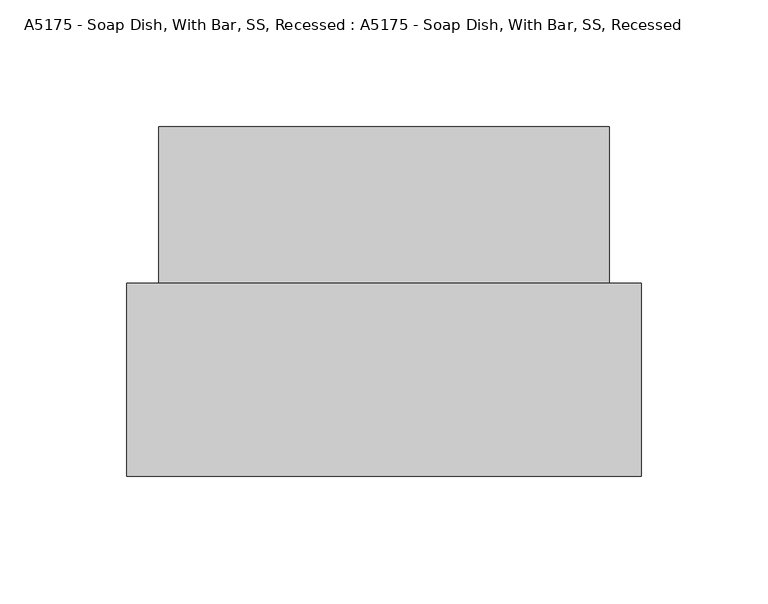
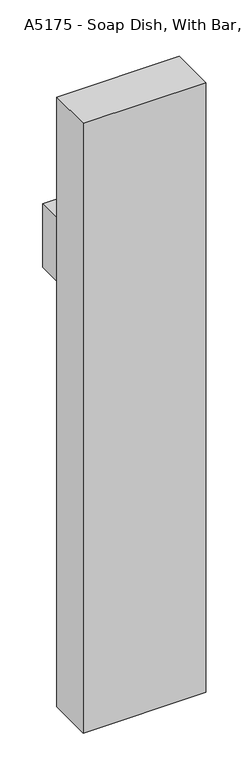
"""IFC4 building model written with IfcOpenShell, lengths in millimetres: proxy geometry, A5175 - Soap Dish, With Bar, SS, Recessed : A5175 - Soap Dish, With Bar, SS, Recessed."""

from ifc_helpers import new_model, si_unit, frame, origin, place, context, project, spatial, circle_curve, ellipse_curve, faceted_brep, source, transform, mapped, element, save
from ifc_brep_helpers import plane_surface, cylinder_surface, advanced_brep


def a5175_soap_dish_with_bar_ss_recessed_a5175_soap_dish_with_8857ea05(model_context):
    return source(origin(), model_context, "Body", "SolidModel", [
        advanced_brep(
        [(-73.0659295, -74.6125, 762.0315243), (-79.4157151, -74.6125, 762.0315243), (-79.4157151, -90.4873928, 762.0315243), (-73.0659295, -84.1376072, 762.0315243), (79.3340705, -90.4873928, 762.0315243), (72.9842849, -84.1376072, 762.0315243), (72.9842849, -74.6125, 762.0315243), (79.3340705, -74.6125, 762.0315243)],
        [
            (0, 1, circle_curve(frame((-76.2408223, -74.6125, 762.0315243), z_axis=(0.0, 1.0, 0.0), x_axis=(-1.0, 0.0, 0.0)), 3.1748928)),
            (1, 0, circle_curve(frame((-76.2408223, -74.6125, 762.0315243), z_axis=(0.0, 1.0, 0.0), x_axis=(-1.0, 0.0, 0.0)), 3.1748928)),
            (1, 2),
            (2, 3, ellipse_curve(frame((-76.2408223, -87.3125, 762.0315243), z_axis=(-0.7071067811865475, 0.7071067811865475, 0.0), x_axis=(0.7071067811865474, 0.7071067811865476, 0.0)), 4.4899765, 3.1748928)),
            (3, 0),
            (3, 2, ellipse_curve(frame((-76.2408223, -87.3125, 762.0315243), z_axis=(-0.7071067811865475, 0.7071067811865475, 0.0), x_axis=(0.7071067811865474, 0.7071067811865476, 0.0)), 4.4899765, 3.1748928)),
            (2, 4),
            (4, 5, ellipse_curve(frame((76.1591777, -87.3125, 762.0315243), z_axis=(-0.7071067811865475, -0.7071067811865475, 0.0), x_axis=(-0.7071067811865476, 0.7071067811865474, 0.0)), 4.4899765, 3.1748928)),
            (5, 3),
            (5, 4, ellipse_curve(frame((76.1591777, -87.3125, 762.0315243), z_axis=(-0.7071067811865475, -0.7071067811865475, 0.0), x_axis=(-0.7071067811865476, 0.7071067811865474, 0.0)), 4.4899765, 3.1748928)),
            (6, 7, circle_curve(frame((76.1591777, -74.6125, 762.0315243), z_axis=(0.0, 1.0, 0.0), x_axis=(1.0, 0.0, 0.0)), 3.1748928)),
            (7, 6, circle_curve(frame((76.1591777, -74.6125, 762.0315243), z_axis=(0.0, 1.0, 0.0), x_axis=(1.0, 0.0, 0.0)), 3.1748928)),
            (4, 7),
            (6, 5),
        ],
        [
            plane_surface(frame((-76.2408223, -74.6125, 762.0315243), z_axis=(0.0, 1.0, 0.0), x_axis=(0.0, 0.0, 1.0))),
            cylinder_surface(frame((-76.2408223, -74.6125, 762.0315243), z_axis=(0.0, 1.0, 0.0), x_axis=(-1.0, 0.0, 0.0)), 3.1748928),
            cylinder_surface(frame((-76.2408223, -87.3125, 762.0315243), z_axis=(-1.0, 0.0, 0.0), x_axis=(0.0, -1.0, 0.0)), 3.1748928),
            plane_surface(frame((76.1591777, -74.6125, 762.0315243), z_axis=(0.0, 1.0, 0.0), x_axis=(0.0, 0.0, 1.0))),
            cylinder_surface(frame((76.1591777, -87.3125, 762.0315243), z_axis=(0.0, -1.0, 0.0), x_axis=(1.0, 0.0, 0.0)), 3.1748928),
        ],
        [
            (0, [[1, 2]]),
            (1, [[3, 4, 5, -2]]),
            (1, [[-5, 6, -3, -1]]),
            (2, [[7, 8, 9, -4]]),
            (2, [[-9, 10, -7, -6]]),
            (3, [[11, 12]]),
            (4, [[13, -11, 14, -8]]),
            (4, [[-14, -12, -13, -10]]),
        ],
    ),
        faceted_brep([(-88.9, -88.9, 726.6299448), (88.9, -88.9, 726.6299448), (88.9, -88.9, 838.2), (-88.9, -88.9, 838.2), (-69.85, -88.9, 817.5393161), (69.85, -88.9, 817.5393161), (69.85, -88.9, 741.3393161), (-69.85, -88.9, 741.3393161), (-88.9, 0.0, 726.6299448), (-88.9, 0.0, 838.2), (88.9, 0.0, 838.2), (88.9, 0.0, 726.6299448), (-69.85, -13.796456, 741.3393161), (69.85, -13.796456, 741.3393161), (69.85, -13.796456, 817.5393161), (-69.85, -13.796456, 817.5393161)], [[[0, 1, 2, 3], [4, 5, 6, 7]], [[8, 9, 10, 11]], [[3, 9, 8, 0]], [[2, 10, 9, 3]], [[1, 11, 10, 2]], [[0, 8, 11, 1]], [[12, 13, 14, 15]], [[15, 4, 7, 12]], [[14, 5, 4, 15]], [[13, 6, 5, 14]], [[12, 7, 6, 13]]]),
        faceted_brep([(101.6, -138.1125, 1066.8), (101.6, -61.9125, 1066.8), (-101.6, -61.9125, 1066.8), (-101.6, -138.1125, 1066.8), (101.6, -138.1125, 0.0), (-101.6, -138.1125, 0.0), (-101.6, -61.9125, 0.0), (101.6, -61.9125, 0.0), (-69.85, -61.9125, 741.3393161), (69.85, -61.9125, 741.3393161), (69.85, -61.9125, 817.5393161), (-69.85, -61.9125, 817.5393161), (-69.85, -88.9, 741.3393161), (-69.85, -88.9, 817.5393161), (69.85, -88.9, 817.5393161), (69.85, -88.9, 741.3393161)], [[[0, 1, 2, 3]], [[4, 5, 6, 7]], [[3, 5, 4, 0]], [[2, 6, 5, 3]], [[1, 7, 6, 2], [8, 9, 10, 11]], [[0, 4, 7, 1]], [[12, 13, 14, 15]], [[12, 8, 11, 13]], [[13, 11, 10, 14]], [[14, 10, 9, 15]], [[15, 9, 8, 12]]]),
    ])


if __name__ == "__main__":
    model = new_model("IFC4")
    model_context = context("Model", 3, world=origin())
    ifc_project = project(units=[si_unit("LENGTHUNIT", "METRE", prefix="MILLI")], contexts=[model_context])
    site = spatial("IfcSite", under=ifc_project)
    building = spatial("IfcBuilding", under=site)
    placement = place(None, origin())
    a5175_soap_dish_with_bar_ss_recessed_a5175_soap_dish_with_shape = a5175_soap_dish_with_bar_ss_recessed_a5175_soap_dish_with_8857ea05(model_context)
    element("IfcBuildingElementProxy", 1, Name="A5175 - Soap Dish, With Bar, SS, Recessed : A5175 - Soap Dish, With Bar, SS, Recessed", ObjectType="A5175 - Soap Dish, With Bar, SS, Recessed : A5175 - Soap Dish, With Bar, SS, Recessed", at=placement, inside=building, context=model_context, shape_type="MappedRepresentation", body=[
        mapped(a5175_soap_dish_with_bar_ss_recessed_a5175_soap_dish_with_shape, transform((0.0, 0.0, 0.0), x_axis=(1.0, 0.0, 0.0), y_axis=(0.0, 1.0, 0.0), z_axis=(0.0, 0.0, 1.0))),
    ])
    save(model, "model.ifc")
